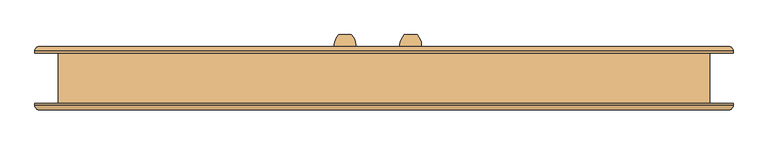
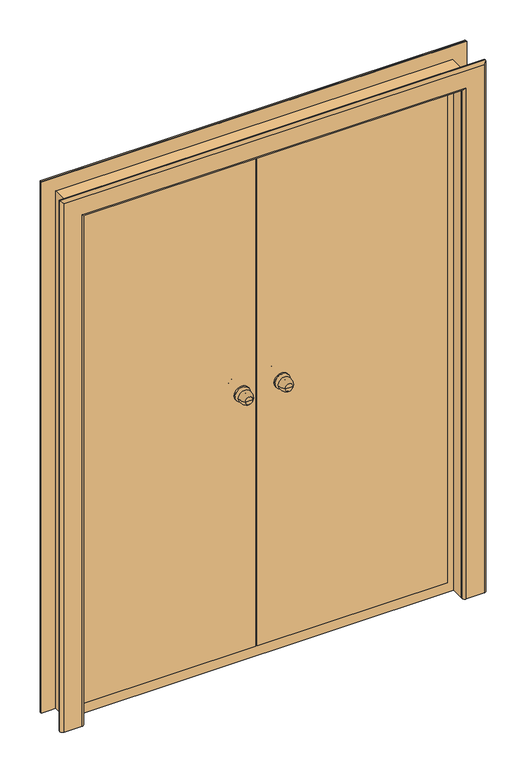
"""IFC4 building model written with IfcOpenShell, lengths in millimetres: door geometry."""

from ifc_helpers import new_model, si_unit, point, frame, origin, place, context, project, spatial, polyline, circle_curve, ellipse_curve, trimmed, outline, extrude, faceted_brep, source, transform, mapped, element, save
from ifc_brep_helpers import plane_surface, cylinder_surface, revolved_surface, advanced_brep


def door_2d591cbf(model_context):
    return source(origin(), model_context, "Body", "SolidModel", [
        advanced_brep(
        [(-97.0, -67.0, 1100.0), (-127.0, -67.0, 1100.0), (-112.0, -67.0, 1100.0), (-87.0, -37.0, 1100.0), (-137.0, -37.0, 1100.0), (-94.0, -37.0, 1100.0), (-130.0, -37.0, 1100.0), (-102.0, -29.0, 1100.0), (-122.0, -29.0, 1100.0), (-102.0, -23.0, 1100.0), (-122.0, -23.0, 1100.0), (-142.0, -23.0, 1100.0), (-82.0, -23.0, 1100.0), (-142.0, -17.0, 1100.0), (-82.0, -17.0, 1100.0)],
        [
            (0, 1, circle_curve(frame((-112.0, -67.0, 1100.0), z_axis=(0.0, -1.0, 0.0), x_axis=(-1.0, 0.0, 0.0)), 15.0)),
            (1, 2),
            (2, 0),
            (1, 0, circle_curve(frame((-112.0, -67.0, 1100.0), z_axis=(0.0, -1.0, 0.0), x_axis=(-1.0, 0.0, 0.0)), 15.0)),
            (0, 3, circle_curve(frame((-121.6226265, -42.1257912, 1100.0), z_axis=(0.0, 0.0, 1.0), x_axis=(-1.0, 0.0, 0.0)), 35.0)),
            (3, 4, circle_curve(frame((-112.0, -37.0, 1100.0), z_axis=(0.0, -1.0, 0.0), x_axis=(-1.0, 0.0, 0.0)), 25.0)),
            (4, 1, circle_curve(frame((-102.3773735, -42.1257912, 1100.0), z_axis=(0.0, 0.0, 1.0), x_axis=(1.0, 0.0, 0.0)), 35.0)),
            (4, 3, circle_curve(frame((-112.0, -37.0, 1100.0), z_axis=(0.0, -1.0, 0.0), x_axis=(-1.0, 0.0, 0.0)), 25.0)),
            (3, 5),
            (5, 6, circle_curve(frame((-112.0, -37.0, 1100.0), z_axis=(0.0, -1.0, 0.0), x_axis=(-1.0, 0.0, 0.0)), 18.0)),
            (6, 4),
            (6, 5, circle_curve(frame((-112.0, -37.0, 1100.0), z_axis=(0.0, -1.0, 0.0), x_axis=(-1.0, 0.0, 0.0)), 18.0)),
            (5, 7, circle_curve(frame((-94.0, -29.0, 1100.0), z_axis=(0.0, 0.0, -1.0), x_axis=(-1.0, 0.0, 0.0)), 8.0)),
            (7, 8, circle_curve(frame((-112.0, -29.0, 1100.0), z_axis=(0.0, -1.0, 0.0), x_axis=(-1.0, 0.0, 0.0)), 10.0)),
            (8, 6, circle_curve(frame((-130.0, -29.0, 1100.0), z_axis=(0.0, 0.0, -1.0), x_axis=(1.0, 0.0, 0.0)), 8.0)),
            (8, 7, circle_curve(frame((-112.0, -29.0, 1100.0), z_axis=(0.0, -1.0, 0.0), x_axis=(-1.0, 0.0, 0.0)), 10.0)),
            (7, 9),
            (9, 10, circle_curve(frame((-112.0, -23.0, 1100.0), z_axis=(0.0, -1.0, 0.0), x_axis=(-1.0, 0.0, 0.0)), 10.0)),
            (10, 8),
            (10, 9, circle_curve(frame((-112.0, -23.0, 1100.0), z_axis=(0.0, -1.0, 0.0), x_axis=(-1.0, 0.0, 0.0)), 10.0)),
            (11, 12, circle_curve(frame((-112.0, -23.0, 1100.0), z_axis=(0.0, -1.0, 0.0), x_axis=(1.0, 0.0, 0.0)), 30.0)),
            (12, 11, circle_curve(frame((-112.0, -23.0, 1100.0), z_axis=(0.0, -1.0, 0.0), x_axis=(1.0, 0.0, 0.0)), 30.0)),
            (13, 14, circle_curve(frame((-112.0, -17.0, 1100.0), z_axis=(0.0, 1.0, 0.0), x_axis=(1.0, 0.0, 0.0)), 30.0)),
            (14, 13, circle_curve(frame((-112.0, -17.0, 1100.0), z_axis=(0.0, 1.0, 0.0), x_axis=(1.0, 0.0, 0.0)), 30.0)),
            (11, 13),
            (14, 12),
        ],
        [
            plane_surface(frame((-112.0, -67.0, 1100.0), z_axis=(0.0, -1.0, 0.0), x_axis=(-1.0, 0.0, 0.0))),
            revolved_surface(trimmed(ellipse_curve(frame((-102.3773735, -42.1257912, 1100.0), z_axis=(0.0, 0.0, -1.0), x_axis=(1.0, 0.0, 0.0)), 35.0, 35.0), [point((-127.0, -67.0, 1100.0))], [point((-137.0, -37.0, 1100.0))], True, "CARTESIAN"), (-112.0, -97.0, 1100.0), (0.0, 1.0, 0.0)),
            plane_surface(frame((-112.0, -37.0, 1100.0), z_axis=(0.0, 1.0, 0.0), x_axis=(-1.0, 0.0, 0.0))),
            revolved_surface(trimmed(ellipse_curve(frame((-130.0, -29.0, 1100.0), z_axis=(0.0, 0.0, 1.0), x_axis=(1.0, 0.0, 0.0)), 8.0, 8.0), [point((-130.0, -37.0, 1100.0))], [point((-122.0, -29.0, 1100.0))], True, "CARTESIAN"), (-112.0, -97.0, 1100.0), (0.0, 1.0, 0.0)),
            cylinder_surface(frame((-112.0, -97.0, 1100.0), z_axis=(0.0, 1.0, 0.0), x_axis=(-1.0, 0.0, 0.0)), 10.0),
            plane_surface(frame((-82.0, -23.0, 1100.0), z_axis=(0.0, -1.0, 0.0), x_axis=(0.0, 0.0, 1.0))),
            plane_surface(frame((-82.0, -17.0, 1100.0), z_axis=(0.0, 1.0, 0.0), x_axis=(0.0, 0.0, -1.0))),
            cylinder_surface(frame((-112.0, -17.0, 1100.0), z_axis=(0.0, -1.0, 0.0), x_axis=(1.0, 0.0, 0.0)), 30.0),
        ],
        [
            (0, [[1, 2, 3]]),
            (0, [[-2, 4, -3]]),
            (1, [[-1, 5, 6, 7]]),
            (1, [[-4, -7, 8, -5]]),
            (2, [[-6, 9, 10, 11]]),
            (2, [[-8, -11, 12, -9]]),
            (3, [[-10, 13, 14, 15]]),
            (3, [[-12, -15, 16, -13]]),
            (4, [[-14, 17, 18, 19]]),
            (4, [[-16, -19, 20, -17]]),
            (5, [[21, 22], [-18, -20]]),
            (6, [[23, 24]]),
            (7, [[-21, 25, -24, 26]]),
            (7, [[-22, -26, -23, -25]]),
        ],
    ),
        advanced_brep(
        [(-127.0, 103.0, 1100.0), (-97.0, 103.0, 1100.0), (-112.0, 103.0, 1100.0), (-137.0, 73.0, 1100.0), (-87.0, 73.0, 1100.0), (-130.0, 73.0, 1100.0), (-94.0, 73.0, 1100.0), (-122.0, 65.0, 1100.0), (-102.0, 65.0, 1100.0), (-122.0, 59.0, 1100.0), (-102.0, 59.0, 1100.0), (-82.0, 59.0, 1100.0), (-142.0, 59.0, 1100.0), (-82.0, 53.0, 1100.0), (-142.0, 53.0, 1100.0)],
        [
            (0, 1, circle_curve(frame((-112.0, 103.0, 1100.0), z_axis=(0.0, 1.0, 0.0), x_axis=(1.0, 0.0, 0.0)), 15.0)),
            (1, 2),
            (2, 0),
            (1, 0, circle_curve(frame((-112.0, 103.0, 1100.0), z_axis=(0.0, 1.0, 0.0), x_axis=(1.0, 0.0, 0.0)), 15.0)),
            (0, 3, circle_curve(frame((-102.3773735, 78.1257912, 1100.0), z_axis=(0.0, 0.0, 1.0), x_axis=(1.0, 0.0, 0.0)), 35.0)),
            (3, 4, circle_curve(frame((-112.0, 73.0, 1100.0), z_axis=(0.0, 1.0, 0.0), x_axis=(1.0, 0.0, 0.0)), 25.0)),
            (4, 1, circle_curve(frame((-121.6226265, 78.1257912, 1100.0), z_axis=(0.0, 0.0, 1.0), x_axis=(-1.0, 0.0, 0.0)), 35.0)),
            (4, 3, circle_curve(frame((-112.0, 73.0, 1100.0), z_axis=(0.0, 1.0, 0.0), x_axis=(1.0, 0.0, 0.0)), 25.0)),
            (3, 5),
            (5, 6, circle_curve(frame((-112.0, 73.0, 1100.0), z_axis=(0.0, 1.0, 0.0), x_axis=(1.0, 0.0, 0.0)), 18.0)),
            (6, 4),
            (6, 5, circle_curve(frame((-112.0, 73.0, 1100.0), z_axis=(0.0, 1.0, 0.0), x_axis=(1.0, 0.0, 0.0)), 18.0)),
            (5, 7, circle_curve(frame((-130.0, 65.0, 1100.0), z_axis=(0.0, 0.0, -1.0), x_axis=(1.0, 0.0, 0.0)), 8.0)),
            (7, 8, circle_curve(frame((-112.0, 65.0, 1100.0), z_axis=(0.0, 1.0, 0.0), x_axis=(1.0, 0.0, 0.0)), 10.0)),
            (8, 6, circle_curve(frame((-94.0, 65.0, 1100.0), z_axis=(0.0, 0.0, -1.0), x_axis=(-1.0, 0.0, 0.0)), 8.0)),
            (8, 7, circle_curve(frame((-112.0, 65.0, 1100.0), z_axis=(0.0, 1.0, 0.0), x_axis=(1.0, 0.0, 0.0)), 10.0)),
            (7, 9),
            (9, 10, circle_curve(frame((-112.0, 59.0, 1100.0), z_axis=(0.0, 1.0, 0.0), x_axis=(1.0, 0.0, 0.0)), 10.0)),
            (10, 8),
            (10, 9, circle_curve(frame((-112.0, 59.0, 1100.0), z_axis=(0.0, 1.0, 0.0), x_axis=(1.0, 0.0, 0.0)), 10.0)),
            (11, 12, circle_curve(frame((-112.0, 59.0, 1100.0), z_axis=(0.0, 1.0, 0.0), x_axis=(-1.0, 0.0, 0.0)), 30.0)),
            (12, 11, circle_curve(frame((-112.0, 59.0, 1100.0), z_axis=(0.0, 1.0, 0.0), x_axis=(-1.0, 0.0, 0.0)), 30.0)),
            (13, 14, circle_curve(frame((-112.0, 53.0, 1100.0), z_axis=(0.0, -1.0, 0.0), x_axis=(-1.0, 0.0, 0.0)), 30.0)),
            (14, 13, circle_curve(frame((-112.0, 53.0, 1100.0), z_axis=(0.0, -1.0, 0.0), x_axis=(-1.0, 0.0, 0.0)), 30.0)),
            (11, 13),
            (14, 12),
        ],
        [
            plane_surface(frame((-112.0, 103.0, 1100.0), z_axis=(0.0, 1.0, 0.0), x_axis=(1.0, 0.0, 0.0))),
            revolved_surface(trimmed(ellipse_curve(frame((-121.6226265, 78.1257912, 1100.0), z_axis=(0.0, 0.0, -1.0), x_axis=(-1.0, 0.0, 0.0)), 35.0, 35.0), [point((-97.0, 103.0, 1100.0))], [point((-87.0, 73.0, 1100.0))], True, "CARTESIAN"), (-112.0, 133.0, 1100.0), (0.0, -1.0, 0.0)),
            plane_surface(frame((-112.0, 73.0, 1100.0), z_axis=(0.0, -1.0, 0.0), x_axis=(1.0, 0.0, 0.0))),
            revolved_surface(trimmed(ellipse_curve(frame((-94.0, 65.0, 1100.0), z_axis=(0.0, 0.0, 1.0), x_axis=(-1.0, 0.0, 0.0)), 8.0, 8.0), [point((-94.0, 73.0, 1100.0))], [point((-102.0, 65.0, 1100.0))], True, "CARTESIAN"), (-112.0, 133.0, 1100.0), (0.0, -1.0, 0.0)),
            cylinder_surface(frame((-112.0, 133.0, 1100.0), z_axis=(0.0, -1.0, 0.0), x_axis=(1.0, 0.0, 0.0)), 10.0),
            plane_surface(frame((-142.0, 59.0, 1100.0), z_axis=(0.0, 1.0, 0.0), x_axis=(0.0, 0.0, 1.0))),
            plane_surface(frame((-142.0, 53.0, 1100.0), z_axis=(0.0, -1.0, 0.0), x_axis=(0.0, 0.0, -1.0))),
            cylinder_surface(frame((-112.0, 53.0, 1100.0), z_axis=(0.0, 1.0, 0.0), x_axis=(-1.0, 0.0, 0.0)), 30.0),
        ],
        [
            (0, [[1, 2, 3]]),
            (0, [[-2, 4, -3]]),
            (1, [[-1, 5, 6, 7]]),
            (1, [[-4, -7, 8, -5]]),
            (2, [[-6, 9, 10, 11]]),
            (2, [[-8, -11, 12, -9]]),
            (3, [[-10, 13, 14, 15]]),
            (3, [[-12, -15, 16, -13]]),
            (4, [[-14, 17, 18, 19]]),
            (4, [[-16, -19, 20, -17]]),
            (5, [[21, 22], [-18, -20]]),
            (6, [[23, 24]]),
            (7, [[-21, 25, -24, 26]]),
            (7, [[-22, -26, -23, -25]]),
        ],
    ),
        advanced_brep(
        [(58.0, -67.0, 1100.0), (28.0, -67.0, 1100.0), (43.0, -67.0, 1100.0), (68.0, -37.0, 1100.0), (18.0, -37.0, 1100.0), (61.0, -37.0, 1100.0), (25.0, -37.0, 1100.0), (53.0, -29.0, 1100.0), (33.0, -29.0, 1100.0), (53.0, -23.0, 1100.0), (33.0, -23.0, 1100.0), (13.0, -23.0, 1100.0), (73.0, -23.0, 1100.0), (13.0, -17.0, 1100.0), (73.0, -17.0, 1100.0)],
        [
            (0, 1, circle_curve(frame((43.0, -67.0, 1100.0), z_axis=(0.0, -1.0, 0.0), x_axis=(-1.0, 0.0, 0.0)), 15.0)),
            (1, 2),
            (2, 0),
            (1, 0, circle_curve(frame((43.0, -67.0, 1100.0), z_axis=(0.0, -1.0, 0.0), x_axis=(-1.0, 0.0, 0.0)), 15.0)),
            (0, 3, circle_curve(frame((33.3773735, -42.1257912, 1100.0), z_axis=(0.0, 0.0, 1.0), x_axis=(-1.0, 0.0, 0.0)), 35.0)),
            (3, 4, circle_curve(frame((43.0, -37.0, 1100.0), z_axis=(0.0, -1.0, 0.0), x_axis=(-1.0, 0.0, 0.0)), 25.0)),
            (4, 1, circle_curve(frame((52.6226265, -42.1257912, 1100.0), z_axis=(0.0, 0.0, 1.0), x_axis=(1.0, 0.0, 0.0)), 35.0)),
            (4, 3, circle_curve(frame((43.0, -37.0, 1100.0), z_axis=(0.0, -1.0, 0.0), x_axis=(-1.0, 0.0, 0.0)), 25.0)),
            (3, 5),
            (5, 6, circle_curve(frame((43.0, -37.0, 1100.0), z_axis=(0.0, -1.0, 0.0), x_axis=(-1.0, 0.0, 0.0)), 18.0)),
            (6, 4),
            (6, 5, circle_curve(frame((43.0, -37.0, 1100.0), z_axis=(0.0, -1.0, 0.0), x_axis=(-1.0, 0.0, 0.0)), 18.0)),
            (5, 7, circle_curve(frame((61.0, -29.0, 1100.0), z_axis=(0.0, 0.0, -1.0), x_axis=(-1.0, 0.0, 0.0)), 8.0)),
            (7, 8, circle_curve(frame((43.0, -29.0, 1100.0), z_axis=(0.0, -1.0, 0.0), x_axis=(-1.0, 0.0, 0.0)), 10.0)),
            (8, 6, circle_curve(frame((25.0, -29.0, 1100.0), z_axis=(0.0, 0.0, -1.0), x_axis=(1.0, 0.0, 0.0)), 8.0)),
            (8, 7, circle_curve(frame((43.0, -29.0, 1100.0), z_axis=(0.0, -1.0, 0.0), x_axis=(-1.0, 0.0, 0.0)), 10.0)),
            (7, 9),
            (9, 10, circle_curve(frame((43.0, -23.0, 1100.0), z_axis=(0.0, -1.0, 0.0), x_axis=(-1.0, 0.0, 0.0)), 10.0)),
            (10, 8),
            (10, 9, circle_curve(frame((43.0, -23.0, 1100.0), z_axis=(0.0, -1.0, 0.0), x_axis=(-1.0, 0.0, 0.0)), 10.0)),
            (11, 12, circle_curve(frame((43.0, -23.0, 1100.0), z_axis=(0.0, -1.0, 0.0), x_axis=(1.0, 0.0, 0.0)), 30.0)),
            (12, 11, circle_curve(frame((43.0, -23.0, 1100.0), z_axis=(0.0, -1.0, 0.0), x_axis=(1.0, 0.0, 0.0)), 30.0)),
            (13, 14, circle_curve(frame((43.0, -17.0, 1100.0), z_axis=(0.0, 1.0, 0.0), x_axis=(1.0, 0.0, 0.0)), 30.0)),
            (14, 13, circle_curve(frame((43.0, -17.0, 1100.0), z_axis=(0.0, 1.0, 0.0), x_axis=(1.0, 0.0, 0.0)), 30.0)),
            (11, 13),
            (14, 12),
        ],
        [
            plane_surface(frame((43.0, -67.0, 1100.0), z_axis=(0.0, -1.0, 0.0), x_axis=(-1.0, 0.0, 0.0))),
            revolved_surface(trimmed(ellipse_curve(frame((52.6226265, -42.1257912, 1100.0), z_axis=(0.0, 0.0, -1.0), x_axis=(1.0, 0.0, 0.0)), 35.0, 35.0), [point((28.0, -67.0, 1100.0))], [point((18.0, -37.0, 1100.0))], True, "CARTESIAN"), (43.0, -97.0, 1100.0), (0.0, 1.0, 0.0)),
            plane_surface(frame((43.0, -37.0, 1100.0), z_axis=(0.0, 1.0, 0.0), x_axis=(-1.0, 0.0, 0.0))),
            revolved_surface(trimmed(ellipse_curve(frame((25.0, -29.0, 1100.0), z_axis=(0.0, 0.0, 1.0), x_axis=(1.0, 0.0, 0.0)), 8.0, 8.0), [point((25.0, -37.0, 1100.0))], [point((33.0, -29.0, 1100.0))], True, "CARTESIAN"), (43.0, -97.0, 1100.0), (0.0, 1.0, 0.0)),
            cylinder_surface(frame((43.0, -97.0, 1100.0), z_axis=(0.0, 1.0, 0.0), x_axis=(-1.0, 0.0, 0.0)), 10.0),
            plane_surface(frame((73.0, -23.0, 1100.0), z_axis=(0.0, -1.0, 0.0), x_axis=(0.0, 0.0, 1.0))),
            plane_surface(frame((73.0, -17.0, 1100.0), z_axis=(0.0, 1.0, 0.0), x_axis=(0.0, 0.0, -1.0))),
            cylinder_surface(frame((43.0, -17.0, 1100.0), z_axis=(0.0, -1.0, 0.0), x_axis=(1.0, 0.0, 0.0)), 30.0),
        ],
        [
            (0, [[1, 2, 3]]),
            (0, [[-2, 4, -3]]),
            (1, [[-1, 5, 6, 7]]),
            (1, [[-4, -7, 8, -5]]),
            (2, [[-6, 9, 10, 11]]),
            (2, [[-8, -11, 12, -9]]),
            (3, [[-10, 13, 14, 15]]),
            (3, [[-12, -15, 16, -13]]),
            (4, [[-14, 17, 18, 19]]),
            (4, [[-16, -19, 20, -17]]),
            (5, [[21, 22], [-18, -20]]),
            (6, [[23, 24]]),
            (7, [[-21, 25, -24, 26]]),
            (7, [[-22, -26, -23, -25]]),
        ],
    ),
        advanced_brep(
        [(28.0, 103.0, 1100.0), (58.0, 103.0, 1100.0), (43.0, 103.0, 1100.0), (18.0, 73.0, 1100.0), (68.0, 73.0, 1100.0), (25.0, 73.0, 1100.0), (61.0, 73.0, 1100.0), (33.0, 65.0, 1100.0), (53.0, 65.0, 1100.0), (33.0, 59.0, 1100.0), (53.0, 59.0, 1100.0), (73.0, 59.0, 1100.0), (13.0, 59.0, 1100.0), (73.0, 53.0, 1100.0), (13.0, 53.0, 1100.0)],
        [
            (0, 1, circle_curve(frame((43.0, 103.0, 1100.0), z_axis=(0.0, 1.0, 0.0), x_axis=(1.0, 0.0, 0.0)), 15.0)),
            (1, 2),
            (2, 0),
            (1, 0, circle_curve(frame((43.0, 103.0, 1100.0), z_axis=(0.0, 1.0, 0.0), x_axis=(1.0, 0.0, 0.0)), 15.0)),
            (0, 3, circle_curve(frame((52.6226265, 78.1257912, 1100.0), z_axis=(0.0, 0.0, 1.0), x_axis=(1.0, 0.0, 0.0)), 35.0)),
            (3, 4, circle_curve(frame((43.0, 73.0, 1100.0), z_axis=(0.0, 1.0, 0.0), x_axis=(1.0, 0.0, 0.0)), 25.0)),
            (4, 1, circle_curve(frame((33.3773735, 78.1257912, 1100.0), z_axis=(0.0, 0.0, 1.0), x_axis=(-1.0, 0.0, 0.0)), 35.0)),
            (4, 3, circle_curve(frame((43.0, 73.0, 1100.0), z_axis=(0.0, 1.0, 0.0), x_axis=(1.0, 0.0, 0.0)), 25.0)),
            (3, 5),
            (5, 6, circle_curve(frame((43.0, 73.0, 1100.0), z_axis=(0.0, 1.0, 0.0), x_axis=(1.0, 0.0, 0.0)), 18.0)),
            (6, 4),
            (6, 5, circle_curve(frame((43.0, 73.0, 1100.0), z_axis=(0.0, 1.0, 0.0), x_axis=(1.0, 0.0, 0.0)), 18.0)),
            (5, 7, circle_curve(frame((25.0, 65.0, 1100.0), z_axis=(0.0, 0.0, -1.0), x_axis=(1.0, 0.0, 0.0)), 8.0)),
            (7, 8, circle_curve(frame((43.0, 65.0, 1100.0), z_axis=(0.0, 1.0, 0.0), x_axis=(1.0, 0.0, 0.0)), 10.0)),
            (8, 6, circle_curve(frame((61.0, 65.0, 1100.0), z_axis=(0.0, 0.0, -1.0), x_axis=(-1.0, 0.0, 0.0)), 8.0)),
            (8, 7, circle_curve(frame((43.0, 65.0, 1100.0), z_axis=(0.0, 1.0, 0.0), x_axis=(1.0, 0.0, 0.0)), 10.0)),
            (7, 9),
            (9, 10, circle_curve(frame((43.0, 59.0, 1100.0), z_axis=(0.0, 1.0, 0.0), x_axis=(1.0, 0.0, 0.0)), 10.0)),
            (10, 8),
            (10, 9, circle_curve(frame((43.0, 59.0, 1100.0), z_axis=(0.0, 1.0, 0.0), x_axis=(1.0, 0.0, 0.0)), 10.0)),
            (11, 12, circle_curve(frame((43.0, 59.0, 1100.0), z_axis=(0.0, 1.0, 0.0), x_axis=(-1.0, 0.0, 0.0)), 30.0)),
            (12, 11, circle_curve(frame((43.0, 59.0, 1100.0), z_axis=(0.0, 1.0, 0.0), x_axis=(-1.0, 0.0, 0.0)), 30.0)),
            (13, 14, circle_curve(frame((43.0, 53.0, 1100.0), z_axis=(0.0, -1.0, 0.0), x_axis=(-1.0, 0.0, 0.0)), 30.0)),
            (14, 13, circle_curve(frame((43.0, 53.0, 1100.0), z_axis=(0.0, -1.0, 0.0), x_axis=(-1.0, 0.0, 0.0)), 30.0)),
            (11, 13),
            (14, 12),
        ],
        [
            plane_surface(frame((43.0, 103.0, 1100.0), z_axis=(0.0, 1.0, 0.0), x_axis=(1.0, 0.0, 0.0))),
            revolved_surface(trimmed(ellipse_curve(frame((33.3773735, 78.1257912, 1100.0), z_axis=(0.0, 0.0, -1.0), x_axis=(-1.0, 0.0, 0.0)), 35.0, 35.0), [point((58.0, 103.0, 1100.0))], [point((68.0, 73.0, 1100.0))], True, "CARTESIAN"), (43.0, 133.0, 1100.0), (0.0, -1.0, 0.0)),
            plane_surface(frame((43.0, 73.0, 1100.0), z_axis=(0.0, -1.0, 0.0), x_axis=(1.0, 0.0, 0.0))),
            revolved_surface(trimmed(ellipse_curve(frame((61.0, 65.0, 1100.0), z_axis=(0.0, 0.0, 1.0), x_axis=(-1.0, 0.0, 0.0)), 8.0, 8.0), [point((61.0, 73.0, 1100.0))], [point((53.0, 65.0, 1100.0))], True, "CARTESIAN"), (43.0, 133.0, 1100.0), (0.0, -1.0, 0.0)),
            cylinder_surface(frame((43.0, 133.0, 1100.0), z_axis=(0.0, -1.0, 0.0), x_axis=(1.0, 0.0, 0.0)), 10.0),
            plane_surface(frame((13.0, 59.0, 1100.0), z_axis=(0.0, 1.0, 0.0), x_axis=(0.0, 0.0, 1.0))),
            plane_surface(frame((13.0, 53.0, 1100.0), z_axis=(0.0, -1.0, 0.0), x_axis=(0.0, 0.0, -1.0))),
            cylinder_surface(frame((43.0, 53.0, 1100.0), z_axis=(0.0, 1.0, 0.0), x_axis=(-1.0, 0.0, 0.0)), 30.0),
        ],
        [
            (0, [[1, 2, 3]]),
            (0, [[-2, 4, -3]]),
            (1, [[-1, 5, 6, 7]]),
            (1, [[-4, -7, 8, -5]]),
            (2, [[-6, 9, 10, 11]]),
            (2, [[-8, -11, 12, -9]]),
            (3, [[-10, 13, 14, 15]]),
            (3, [[-12, -15, 16, -13]]),
            (4, [[-14, 17, 18, 19]]),
            (4, [[-16, -19, 20, -17]]),
            (5, [[21, 22], [-18, -20]]),
            (6, [[23, 24]]),
            (7, [[-21, 25, -24, 26]]),
            (7, [[-22, -26, -23, -25]]),
        ],
    ),
        extrude(outline(polyline([(0.0, 715.0), (0.0, 730.0), (2100.0, 730.0), (2100.0, -770.0), (0.0, -770.0), (0.0, -755.0), (2085.0, -755.0), (2085.0, 715.0), (0.0, 715.0)])), frame((0.0, -60.0, 0.0), z_axis=(0.0, 1.0, 0.0), x_axis=(0.0, 0.0, 1.0)), (0.0, 0.0, 1.0), 50.0),
        faceted_brep([(685.0, -17.0, 45.0), (-52.0, -17.0, 45.0), (-52.0, -12.0, 45.0), (685.0, -12.0, 45.0), (685.0, -17.0, 2055.0), (-52.0, -17.0, 2055.0), (-52.0, -12.0, 2055.0), (-52.0, -12.0, 2035.0), (-52.0, 3.0, 2035.0), (-52.0, 3.0, 65.0), (-52.0, -12.0, 65.0), (665.0, -12.0, 65.0), (665.0, -12.0, 2035.0), (685.0, -12.0, 2055.0), (-17.0, 3.0, 65.0), (-17.0, 53.0, 65.0), (665.0, 53.0, 65.0), (665.0, 53.0, 2035.0), (-17.0, 53.0, 2035.0), (-17.0, 3.0, 2035.0)], [[[0, 1, 2, 3]], [[4, 5, 1, 0]], [[1, 5, 6, 7, 8, 9, 10, 2]], [[2, 10, 11, 12, 7, 6, 13, 3]], [[3, 13, 4, 0]], [[11, 10, 9, 14, 15, 16]], [[17, 12, 11, 16]], [[18, 17, 16, 15]], [[19, 18, 15, 14]], [[8, 19, 14, 9]], [[4, 13, 6, 5]], [[7, 12, 17, 18, 19, 8]]]),
        faceted_brep([(-58.0, -17.0, 45.0), (-725.0, -17.0, 45.0), (-725.0, -12.0, 45.0), (-58.0, -12.0, 45.0), (-58.0, -17.0, 2055.0), (-725.0, -17.0, 2055.0), (-725.0, -12.0, 2055.0), (-58.0, -12.0, 2055.0), (-58.0, -12.0, 2035.0), (-705.0, -12.0, 2035.0), (-705.0, -12.0, 65.0), (-58.0, -12.0, 65.0), (-58.0, 9.0, 65.0), (-58.0, 9.0, 2035.0), (-705.0, 53.0, 2035.0), (-705.0, 53.0, 65.0), (-23.0, 53.0, 2035.0), (-23.0, 53.0, 65.0), (-23.0, 9.0, 65.0), (-23.0, 9.0, 2035.0)], [[[0, 1, 2, 3]], [[4, 5, 1, 0]], [[5, 6, 2, 1]], [[6, 7, 8, 9, 10, 11, 3, 2]], [[4, 0, 3, 11, 12, 13, 8, 7]], [[9, 14, 15, 10]], [[14, 16, 17, 15]], [[11, 10, 15, 17, 18, 12]], [[19, 13, 12, 18]], [[16, 19, 18, 17]], [[6, 5, 4, 7]], [[9, 8, 13, 19, 16, 14]]]),
        advanced_brep(
        [(-845.0, -60.0, 0.0), (-755.0, -60.0, 0.0), (-755.0, -65.0, 0.0), (-765.0, -75.0, 0.0), (-835.0, -75.0, 0.0), (-845.0, -65.0, 0.0), (-845.0, -60.0, 2175.0), (805.0, -60.0, 2175.0), (805.0, -60.0, 0.0), (715.0, -60.0, 0.0), (715.0, -60.0, 2085.0), (-755.0, -60.0, 2085.0), (-755.0, -65.0, 2085.0), (-765.0, -75.0, 2095.0), (725.0, -75.0, 2095.0), (725.0, -75.0, 0.0), (795.0, -75.0, 0.0), (795.0, -75.0, 2165.0), (-835.0, -75.0, 2165.0), (-845.0, -65.0, 2175.0), (805.0, -65.0, 2175.0), (805.0, -65.0, 0.0), (715.0, -65.0, 0.0), (715.0, -65.0, 2085.0)],
        [
            (0, 1),
            (1, 2),
            (2, 3, circle_curve(frame((-765.0, -65.0, 0.0), z_axis=(0.0, 0.0, -1.0), x_axis=(-1.0, 0.0, 0.0)), 10.0)),
            (3, 4),
            (4, 5, circle_curve(frame((-835.0, -65.0, 0.0), z_axis=(0.0, 0.0, -1.0), x_axis=(-1.0, 0.0, 0.0)), 10.0)),
            (5, 0),
            (0, 6),
            (6, 7),
            (7, 8),
            (8, 9),
            (9, 10),
            (10, 11),
            (11, 1),
            (11, 12),
            (12, 2),
            (12, 13, ellipse_curve(frame((-765.0, -65.0, 2095.0), z_axis=(-0.7071067811865475, 0.0, -0.7071067811865475), x_axis=(0.7071067811865474, 0.0, -0.7071067811865476)), 14.1421356, 10.0)),
            (13, 3),
            (13, 14),
            (14, 15),
            (15, 16),
            (16, 17),
            (17, 18),
            (18, 4),
            (18, 19, ellipse_curve(frame((-835.0, -65.0, 2165.0), z_axis=(-0.7071067811865475, 0.0, -0.7071067811865475), x_axis=(0.7071067811865474, 0.0, -0.7071067811865476)), 14.1421356, 10.0)),
            (19, 5),
            (19, 6),
            (7, 20),
            (20, 21),
            (21, 8),
            (21, 16, circle_curve(frame((795.0, -65.0, 0.0), z_axis=(0.0, 0.0, -1.0), x_axis=(1.0, 0.0, 0.0)), 10.0)),
            (15, 22, circle_curve(frame((725.0, -65.0, 0.0), z_axis=(0.0, 0.0, -1.0), x_axis=(1.0, 0.0, 0.0)), 10.0)),
            (22, 9),
            (23, 10),
            (22, 23),
            (14, 23, ellipse_curve(frame((725.0, -65.0, 2095.0), z_axis=(0.7071067811865475, 0.0, -0.7071067811865475), x_axis=(0.7071067811865474, 0.0, 0.7071067811865476)), 14.1421356, 10.0)),
            (20, 17, ellipse_curve(frame((795.0, -65.0, 2165.0), z_axis=(0.7071067811865475, 0.0, -0.7071067811865475), x_axis=(0.7071067811865474, 0.0, 0.7071067811865476)), 14.1421356, 10.0)),
            (23, 12),
            (20, 19),
        ],
        [
            plane_surface(frame((-790.0, -60.0, 0.0), z_axis=(0.0, 0.0, -1.0), x_axis=(0.0, -1.0, 0.0))),
            plane_surface(frame((-845.0, -60.0, 0.0), z_axis=(0.0, 1.0, 0.0), x_axis=(0.0, 0.0, 1.0))),
            plane_surface(frame((-755.0, -60.0, 0.0), z_axis=(1.0, 0.0, 0.0), x_axis=(0.0, 0.0, 1.0))),
            cylinder_surface(frame((-765.0, -65.0, 0.0), z_axis=(0.0, 0.0, -1.0), x_axis=(-1.0, 0.0, 0.0)), 10.0),
            plane_surface(frame((-765.0, -75.0, 0.0), z_axis=(0.0, -1.0, 0.0), x_axis=(0.0, 0.0, 1.0))),
            cylinder_surface(frame((-835.0, -65.0, 0.0), z_axis=(0.0, 0.0, -1.0), x_axis=(-1.0, 0.0, 0.0)), 10.0),
            plane_surface(frame((-845.0, -65.0, 0.0), z_axis=(-1.0, 0.0, 0.0), x_axis=(0.0, 0.0, 1.0))),
            plane_surface(frame((805.0, -65.0, 2175.0), z_axis=(1.0, 0.0, 0.0), x_axis=(0.0, 0.0, -1.0))),
            plane_surface(frame((750.0, -60.0, 0.0), z_axis=(0.0, 0.0, -1.0), x_axis=(0.0, -1.0, 0.0))),
            plane_surface(frame((715.0, -60.0, 2085.0), z_axis=(-1.0, 0.0, 0.0), x_axis=(0.0, 0.0, -1.0))),
            cylinder_surface(frame((725.0, -65.0, 2120.0), z_axis=(0.0, 0.0, 1.0), x_axis=(1.0, 0.0, 0.0)), 10.0),
            cylinder_surface(frame((795.0, -65.0, 2120.0), z_axis=(0.0, 0.0, 1.0), x_axis=(1.0, 0.0, 0.0)), 10.0),
            plane_surface(frame((-755.0, -60.0, 2085.0), z_axis=(0.0, 0.0, -1.0), x_axis=(1.0, 0.0, 0.0))),
            cylinder_surface(frame((-790.0, -65.0, 2095.0), z_axis=(-1.0, 0.0, 0.0), x_axis=(0.0, 0.0, 1.0)), 10.0),
            cylinder_surface(frame((-790.0, -65.0, 2165.0), z_axis=(-1.0, 0.0, 0.0), x_axis=(0.0, 0.0, 1.0)), 10.0),
            plane_surface(frame((-845.0, -65.0, 2175.0), z_axis=(0.0, 0.0, 1.0), x_axis=(1.0, 0.0, 0.0))),
        ],
        [
            (0, [[1, 2, 3, 4, 5, 6]]),
            (1, [[-1, 7, 8, 9, 10, 11, 12, 13]]),
            (2, [[-2, -13, 14, 15]]),
            (3, [[-3, -15, 16, 17]]),
            (4, [[-4, -17, 18, 19, 20, 21, 22, 23]]),
            (5, [[-5, -23, 24, 25]]),
            (6, [[-6, -25, 26, -7]]),
            (7, [[27, 28, 29, -9]]),
            (8, [[-29, 30, -20, 31, 32, -10]]),
            (9, [[33, -11, -32, 34]]),
            (10, [[35, -34, -31, -19]]),
            (11, [[36, -21, -30, -28]]),
            (12, [[-14, -12, -33, 37]]),
            (13, [[-16, -37, -35, -18]]),
            (14, [[-24, -22, -36, 38]]),
            (15, [[-26, -38, -27, -8]]),
        ],
    ),
        advanced_brep(
        [(805.0, 60.0, 0.0), (715.0, 60.0, 0.0), (715.0, 65.0, 0.0), (725.0, 75.0, 0.0), (795.0, 75.0, 0.0), (805.0, 65.0, 0.0), (805.0, 60.0, 2175.0), (-845.0, 60.0, 2175.0), (-845.0, 60.0, 0.0), (-755.0, 60.0, 0.0), (-755.0, 60.0, 2085.0), (715.0, 60.0, 2085.0), (715.0, 65.0, 2085.0), (725.0, 75.0, 2095.0), (-765.0, 75.0, 2095.0), (-765.0, 75.0, 0.0), (-835.0, 75.0, 0.0), (-835.0, 75.0, 2165.0), (795.0, 75.0, 2165.0), (805.0, 65.0, 2175.0), (-845.0, 65.0, 2175.0), (-845.0, 65.0, 0.0), (-755.0, 65.0, 0.0), (-755.0, 65.0, 2085.0)],
        [
            (0, 1),
            (1, 2),
            (2, 3, circle_curve(frame((725.0, 65.0, 0.0), z_axis=(0.0, 0.0, -1.0), x_axis=(1.0, 0.0, 0.0)), 10.0)),
            (3, 4),
            (4, 5, circle_curve(frame((795.0, 65.0, 0.0), z_axis=(0.0, 0.0, -1.0), x_axis=(1.0, 0.0, 0.0)), 10.0)),
            (5, 0),
            (0, 6),
            (6, 7),
            (7, 8),
            (8, 9),
            (9, 10),
            (10, 11),
            (11, 1),
            (11, 12),
            (12, 2),
            (12, 13, ellipse_curve(frame((725.0, 65.0, 2095.0), z_axis=(0.7071067811865475, 0.0, -0.7071067811865475), x_axis=(-0.7071067811865474, 0.0, -0.7071067811865476)), 14.1421356, 10.0)),
            (13, 3),
            (13, 14),
            (14, 15),
            (15, 16),
            (16, 17),
            (17, 18),
            (18, 4),
            (18, 19, ellipse_curve(frame((795.0, 65.0, 2165.0), z_axis=(0.7071067811865475, 0.0, -0.7071067811865475), x_axis=(-0.7071067811865474, 0.0, -0.7071067811865476)), 14.1421356, 10.0)),
            (19, 5),
            (19, 6),
            (7, 20),
            (20, 21),
            (21, 8),
            (21, 16, circle_curve(frame((-835.0, 65.0, 0.0), z_axis=(0.0, 0.0, -1.0), x_axis=(-1.0, 0.0, 0.0)), 10.0)),
            (15, 22, circle_curve(frame((-765.0, 65.0, 0.0), z_axis=(0.0, 0.0, -1.0), x_axis=(-1.0, 0.0, 0.0)), 10.0)),
            (22, 9),
            (23, 10),
            (22, 23),
            (14, 23, ellipse_curve(frame((-765.0, 65.0, 2095.0), z_axis=(-0.7071067811865475, 0.0, -0.7071067811865475), x_axis=(-0.7071067811865474, 0.0, 0.7071067811865476)), 14.1421356, 10.0)),
            (20, 17, ellipse_curve(frame((-835.0, 65.0, 2165.0), z_axis=(-0.7071067811865475, 0.0, -0.7071067811865475), x_axis=(-0.7071067811865474, 0.0, 0.7071067811865476)), 14.1421356, 10.0)),
            (23, 12),
            (20, 19),
        ],
        [
            plane_surface(frame((750.0, 60.0, 0.0), z_axis=(0.0, 0.0, -1.0), x_axis=(0.0, -1.0, 0.0))),
            plane_surface(frame((805.0, 60.0, 0.0), z_axis=(0.0, -1.0, 0.0), x_axis=(0.0, 0.0, 1.0))),
            plane_surface(frame((715.0, 60.0, 0.0), z_axis=(-1.0, 0.0, 0.0), x_axis=(0.0, 0.0, 1.0))),
            cylinder_surface(frame((725.0, 65.0, 0.0), z_axis=(0.0, 0.0, -1.0), x_axis=(1.0, 0.0, 0.0)), 10.0),
            plane_surface(frame((725.0, 75.0, 0.0), z_axis=(0.0, 1.0, 0.0), x_axis=(0.0, 0.0, 1.0))),
            cylinder_surface(frame((795.0, 65.0, 0.0), z_axis=(0.0, 0.0, -1.0), x_axis=(1.0, 0.0, 0.0)), 10.0),
            plane_surface(frame((805.0, 65.0, 0.0), z_axis=(1.0, 0.0, 0.0), x_axis=(0.0, 0.0, 1.0))),
            plane_surface(frame((-845.0, 65.0, 2175.0), z_axis=(-1.0, 0.0, 0.0), x_axis=(0.0, 0.0, -1.0))),
            plane_surface(frame((-790.0, 60.0, 0.0), z_axis=(0.0, 0.0, -1.0), x_axis=(0.0, -1.0, 0.0))),
            plane_surface(frame((-755.0, 60.0, 2085.0), z_axis=(1.0, 0.0, 0.0), x_axis=(0.0, 0.0, -1.0))),
            cylinder_surface(frame((-765.0, 65.0, 2120.0), z_axis=(0.0, 0.0, 1.0), x_axis=(-1.0, 0.0, 0.0)), 10.0),
            cylinder_surface(frame((-835.0, 65.0, 2120.0), z_axis=(0.0, 0.0, 1.0), x_axis=(-1.0, 0.0, 0.0)), 10.0),
            plane_surface(frame((715.0, 60.0, 2085.0), z_axis=(0.0, 0.0, -1.0), x_axis=(-1.0, 0.0, 0.0))),
            cylinder_surface(frame((750.0, 65.0, 2095.0), z_axis=(1.0, 0.0, 0.0), x_axis=(0.0, 0.0, 1.0)), 10.0),
            cylinder_surface(frame((750.0, 65.0, 2165.0), z_axis=(1.0, 0.0, 0.0), x_axis=(0.0, 0.0, 1.0)), 10.0),
            plane_surface(frame((805.0, 65.0, 2175.0), z_axis=(0.0, 0.0, 1.0), x_axis=(-1.0, 0.0, 0.0))),
        ],
        [
            (0, [[1, 2, 3, 4, 5, 6]]),
            (1, [[-1, 7, 8, 9, 10, 11, 12, 13]]),
            (2, [[-2, -13, 14, 15]]),
            (3, [[-3, -15, 16, 17]]),
            (4, [[-4, -17, 18, 19, 20, 21, 22, 23]]),
            (5, [[-5, -23, 24, 25]]),
            (6, [[-6, -25, 26, -7]]),
            (7, [[27, 28, 29, -9]]),
            (8, [[-29, 30, -20, 31, 32, -10]]),
            (9, [[33, -11, -32, 34]]),
            (10, [[35, -34, -31, -19]]),
            (11, [[36, -21, -30, -28]]),
            (12, [[-14, -12, -33, 37]]),
            (13, [[-16, -37, -35, -18]]),
            (14, [[-24, -22, -36, 38]]),
            (15, [[-26, -38, -27, -8]]),
        ],
    ),
        extrude(outline(polyline([(0.0, 730.0), (0.0, 750.0), (2120.0, 750.0), (2120.0, -790.0), (0.0, -790.0), (0.0, -770.0), (2100.0, -770.0), (2100.0, 730.0), (0.0, 730.0)])), frame((0.0, -60.0, 0.0), z_axis=(0.0, 1.0, 0.0), x_axis=(0.0, 0.0, 1.0)), (0.0, 0.0, 1.0), 120.0),
        faceted_brep([(-770.0, -10.0, 0.0), (-770.0, 60.0, 0.0), (730.0, 60.0, 0.0), (730.0, -10.0, 0.0), (730.0, 60.0, 2100.0), (730.0, -10.0, 2100.0), (-770.0, 60.0, 2100.0), (650.0, 60.0, 2020.0), (-690.0, 60.0, 2020.0), (-690.0, 60.0, 80.0), (650.0, 60.0, 80.0), (-770.0, -10.0, 2100.0), (670.0, -10.0, 60.0), (-710.0, -10.0, 60.0), (-710.0, -10.0, 2040.0), (670.0, -10.0, 2040.0), (-710.0, 55.0, 60.0), (670.0, 55.0, 60.0), (670.0, 55.0, 2040.0), (-710.0, 55.0, 2040.0), (650.0, 55.0, 80.0), (-690.0, 55.0, 80.0), (-690.0, 55.0, 2020.0), (650.0, 55.0, 2020.0)], [[[0, 1, 2, 3]], [[3, 2, 4, 5]], [[2, 1, 6, 4], [7, 8, 9, 10]], [[5, 11, 0, 3], [12, 13, 14, 15]], [[16, 13, 12, 17]], [[17, 12, 15, 18]], [[18, 19, 16, 17], [20, 21, 22, 23]], [[9, 21, 20, 10]], [[10, 20, 23, 7]], [[11, 6, 1, 0]], [[19, 14, 13, 16]], [[8, 22, 21, 9]], [[5, 4, 6, 11]], [[18, 15, 14, 19]], [[7, 23, 22, 8]]]),
    ])


if __name__ == "__main__":
    model = new_model("IFC4")
    model_context = context("Model", 3, world=origin())
    ifc_project = project(units=[si_unit("LENGTHUNIT", "METRE", prefix="MILLI")], contexts=[model_context])
    site = spatial("IfcSite", under=ifc_project)
    building = spatial("IfcBuilding", under=site)
    placement = place(None, origin())
    door_shape = door_2d591cbf(model_context)
    element("IfcDoor", 1, at=placement, inside=building, context=model_context, shape_type="MappedRepresentation", body=[
        mapped(door_shape, transform((0.0, 0.0, 0.0), x_axis=(1.0, 0.0, 0.0), y_axis=(0.0, 1.0, 0.0), z_axis=(0.0, 0.0, 1.0))),
    ])
    save(model, "model.ifc")
